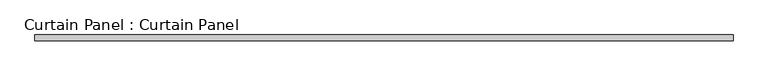
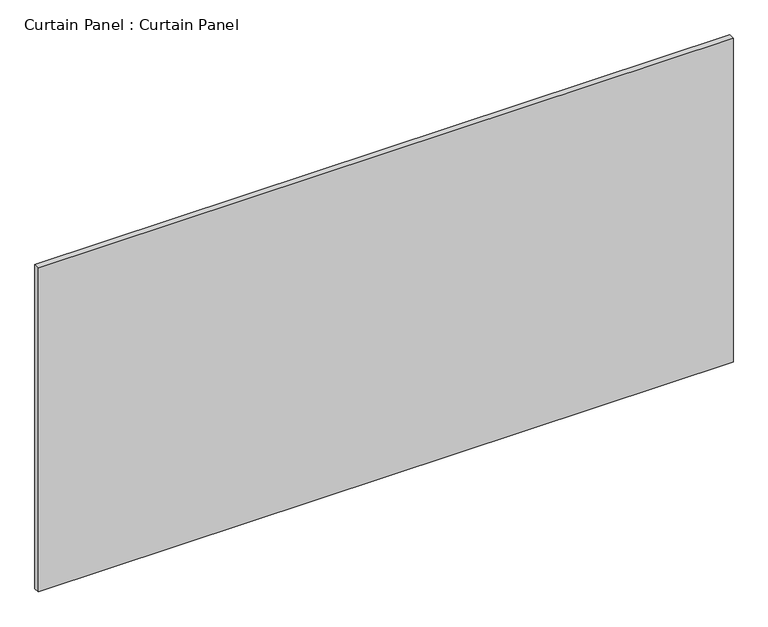
"""IFC4 building model written with IfcOpenShell, lengths in millimetres: plate geometry, Curtain Panel : Curtain Panel."""

from ifc_helpers import new_model, si_unit, frame, origin, place, context, project, spatial, polyline, outline, extrude, source, transform, mapped, element, save


def curtain_panel_curtain_panel_87ec3b41(model_context):
    return source(origin(), model_context, "Body", "SweptSolid", [
        extrude(outline(polyline([(-120704.3555895, -9130.4431787), (-123717.4305895, -9130.4431787), (-123717.4305895, -9105.0431787), (-120704.3555895, -9105.0431787), (-120704.3555895, -9130.4431787)])), frame((0.0, 0.0, 1593.453125), z_axis=(0.0, 0.0, 1.0), x_axis=(1.0, 0.0, 0.0)), (0.0, 0.0, 1.0), 1485.9),
    ])


if __name__ == "__main__":
    model = new_model("IFC4")
    model_context = context("Model", 3, world=origin())
    ifc_project = project(units=[si_unit("LENGTHUNIT", "METRE", prefix="MILLI")], contexts=[model_context])
    site = spatial("IfcSite", under=ifc_project)
    building = spatial("IfcBuilding", under=site)
    placement = place(None, origin())
    curtain_panel_curtain_panel_shape = curtain_panel_curtain_panel_87ec3b41(model_context)
    element("IfcPlate", 1, ObjectType="Curtain Panel : Curtain Panel", at=placement, inside=building, context=model_context, shape_type="MappedRepresentation", body=[
        mapped(curtain_panel_curtain_panel_shape, transform((0.0, 0.0, 0.0), x_axis=(1.0, 0.0, 0.0), y_axis=(0.0, 1.0, 0.0), z_axis=(0.0, 0.0, 1.0))),
    ])
    save(model, "model.ifc")
